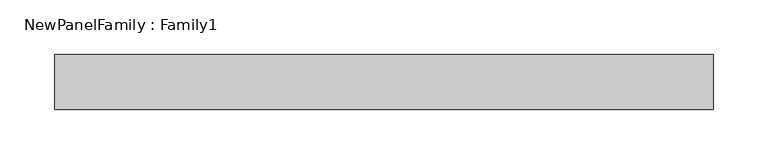
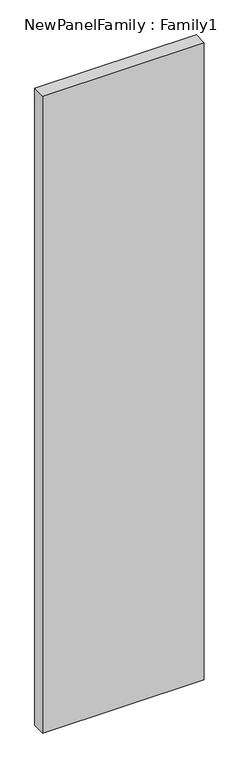
"""IFC4 building model written with IfcOpenShell, lengths in millimetres: proxy geometry, NewPanelFamily : Family1."""

from ifc_helpers import new_model, si_unit, origin, origin_with_axes, place, context, project, spatial, polyline, outline, extrude, source, transform, mapped, element, save


def newpanelfamily_family1_5e729070(model_context):
    return source(origin(), model_context, "Body", "SweptSolid", [
        extrude(outline(polyline([(300.0, 25.0), (300.0, -25.0), (-300.0, -25.0), (-300.0, 25.0), (300.0, 25.0)])), origin_with_axes(), (0.0, 0.0, 1.0), 2500.0),
    ])


if __name__ == "__main__":
    model = new_model("IFC4")
    model_context = context("Model", 3, world=origin())
    ifc_project = project(units=[si_unit("LENGTHUNIT", "METRE", prefix="MILLI")], contexts=[model_context])
    site = spatial("IfcSite", under=ifc_project)
    building = spatial("IfcBuilding", under=site)
    placement = place(None, origin())
    newpanelfamily_family1_shape = newpanelfamily_family1_5e729070(model_context)
    element("IfcBuildingElementProxy", 1, Name="NewPanelFamily : Family1", ObjectType="NewPanelFamily : Family1", at=placement, inside=building, context=model_context, shape_type="MappedRepresentation", body=[
        mapped(newpanelfamily_family1_shape, transform((0.0, 0.0, 0.0), x_axis=(1.0, 0.0, 0.0), y_axis=(0.0, 1.0, 0.0), z_axis=(0.0, 0.0, 1.0))),
    ])
    save(model, "model.ifc")
